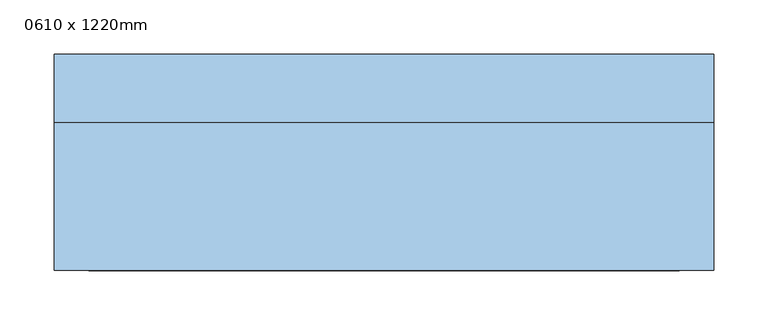
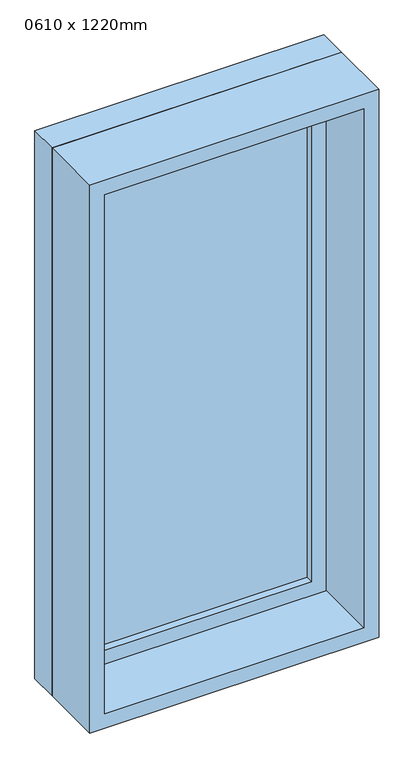
"""IFC4 building model written with IfcOpenShell, lengths in millimetres: window geometry, 0610 x 1220mm."""

from ifc_helpers import new_model, si_unit, frame, origin, place, context, project, spatial, polyline, outline, extrude, source, transform, mapped, element, save


def window_0610_x_1220mm_4e981104(model_context):
    return source(origin(), model_context, "Body", "SweptSolid", [
        extrude(outline(polyline([(-242.0, 78.0), (242.0, 78.0), (242.0, 66.0), (-242.0, 66.0), (-242.0, 78.0)])), frame((0.0, 0.0, 978.0), z_axis=(0.0, 0.0, 1.0), x_axis=(1.0, 0.0, 0.0)), (0.0, 0.0, 1.0), 1094.0),
        extrude(outline(polyline([(2116.0, -286.0), (934.0, -286.0), (934.0, 286.0), (2116.0, 286.0), (2116.0, -286.0)]), holes=[polyline([(2072.0, -242.0), (2072.0, 242.0), (978.0, 242.0), (978.0, -242.0), (2072.0, -242.0)])]), frame((0.0, 50.0, 0.0), z_axis=(0.0, 1.0, 0.0), x_axis=(0.0, 0.0, 1.0)), (0.0, 0.0, 1.0), 44.0),
        extrude(outline(polyline([(2135.0, -305.0), (915.0, -305.0), (915.0, 305.0), (2135.0, 305.0), (2135.0, -305.0)]), holes=[polyline([(2116.0, -286.0), (2116.0, 286.0), (934.0, 286.0), (934.0, -286.0), (2116.0, -286.0)])]), frame((0.0, 50.0, 0.0), z_axis=(0.0, 1.0, 0.0), x_axis=(0.0, 0.0, 1.0)), (0.0, 0.0, 1.0), 63.0),
        extrude(outline(polyline([(2135.0, -305.0), (915.0, -305.0), (915.0, 305.0), (2135.0, 305.0), (2135.0, -305.0)]), holes=[polyline([(2103.0, -273.0), (2103.0, 273.0), (947.0, 273.0), (947.0, -273.0), (2103.0, -273.0)])]), frame((0.0, -87.0, 0.0), z_axis=(0.0, 1.0, 0.0), x_axis=(0.0, 0.0, 1.0)), (0.0, 0.0, 1.0), 137.0),
    ])


if __name__ == "__main__":
    model = new_model("IFC4")
    model_context = context("Model", 3, world=origin())
    ifc_project = project(units=[si_unit("LENGTHUNIT", "METRE", prefix="MILLI")], contexts=[model_context])
    site = spatial("IfcSite", under=ifc_project)
    building = spatial("IfcBuilding", under=site)
    placement = place(None, origin())
    window_0610_x_1220mm_shape = window_0610_x_1220mm_4e981104(model_context)
    element("IfcWindow", 1, ObjectType="0610 x 1220mm", at=placement, inside=building, context=model_context, shape_type="MappedRepresentation", body=[
        mapped(window_0610_x_1220mm_shape, transform((0.0, 0.0, 0.0), x_axis=(1.0, 0.0, 0.0), y_axis=(0.0, 1.0, 0.0), z_axis=(0.0, 0.0, 1.0))),
    ])
    save(model, "model.ifc")
